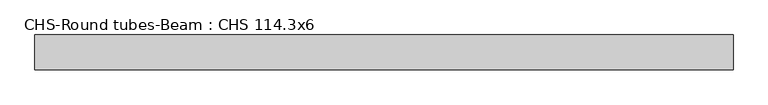
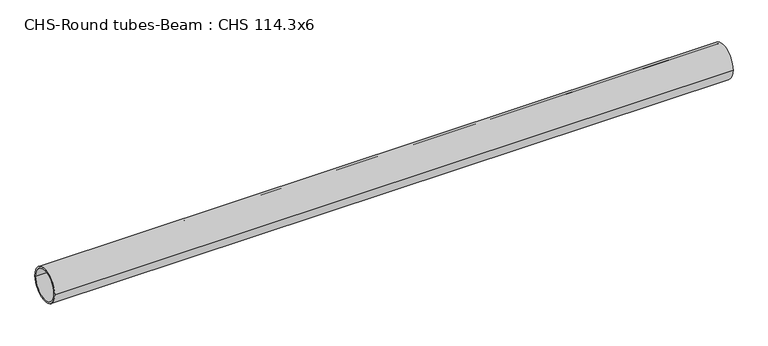
"""IFC4 building model written with IfcOpenShell, lengths in millimetres: beam geometry, CHS-Round tubes-Beam : CHS 114.3x6."""

from ifc_helpers import new_model, si_unit, point, frame, origin, origin_2d, place, context, project, spatial, circle_curve, trimmed, segment, composite_curve, outline, extrude, source, transform, mapped, element, save


def chs_round_tubes_beam_chs_114_3x6_b2595a18(model_context):
    return source(origin(), model_context, "Body", "SweptSolid", [
        extrude(outline(composite_curve([segment(trimmed(circle_curve(origin_2d(), 57.15), [point((57.15, 0.0))], [point((-57.15, 0.0))], False, "CARTESIAN"), True, "CONTINUOUS"), segment(trimmed(circle_curve(origin_2d(), 57.15), [point((-57.15, 0.0))], [point((57.15, 0.0))], False, "CARTESIAN"), True, "CONTINUOUS")], self_intersect=False), holes=[composite_curve([segment(trimmed(circle_curve(origin_2d(), 51.15), [point((51.15, 0.0))], [point((-51.15, 0.0))], True, "CARTESIAN"), True, "CONTINUOUS"), segment(trimmed(circle_curve(origin_2d(), 51.15), [point((-51.15, 0.0))], [point((51.15, 0.0))], True, "CARTESIAN"), True, "CONTINUOUS")], self_intersect=False)]), frame((-1099.0661423, 0.0, 0.0), z_axis=(1.0, 0.0, 0.0), x_axis=(0.0, 1.0, 0.0)), (0.0, 0.0, 1.0), 2282.4835191),
    ])


if __name__ == "__main__":
    model = new_model("IFC4")
    model_context = context("Model", 3, world=origin())
    ifc_project = project(units=[si_unit("LENGTHUNIT", "METRE", prefix="MILLI")], contexts=[model_context])
    site = spatial("IfcSite", under=ifc_project)
    building = spatial("IfcBuilding", under=site)
    placement = place(None, origin())
    chs_round_tubes_beam_chs_114_3x6_shape = chs_round_tubes_beam_chs_114_3x6_b2595a18(model_context)
    element("IfcBeam", 1, ObjectType="CHS-Round tubes-Beam : CHS 114.3x6", at=placement, inside=building, context=model_context, shape_type="MappedRepresentation", body=[
        mapped(chs_round_tubes_beam_chs_114_3x6_shape, transform((0.0, 0.0, 0.0), x_axis=(1.0, 0.0, 0.0), y_axis=(0.0, 1.0, 0.0), z_axis=(0.0, 0.0, 1.0))),
    ])
    save(model, "model.ifc")
